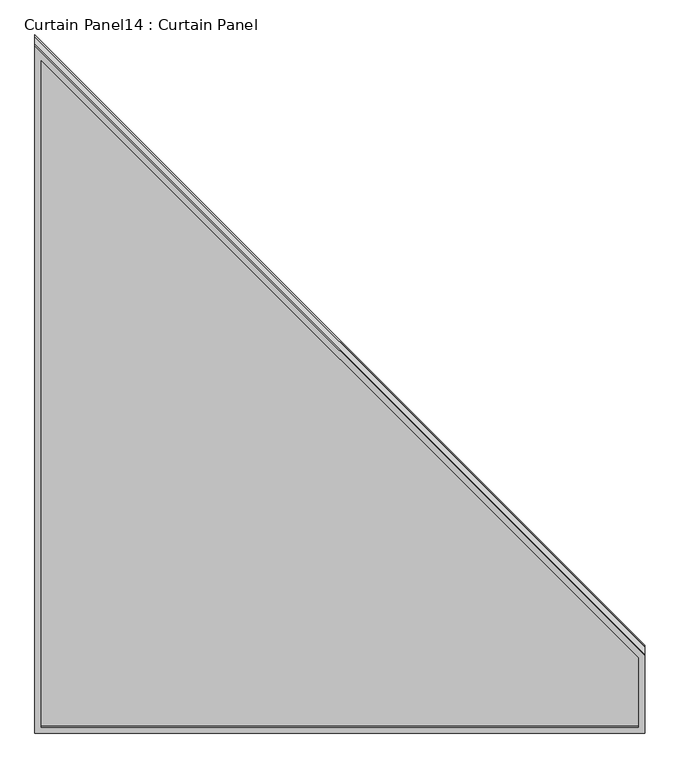
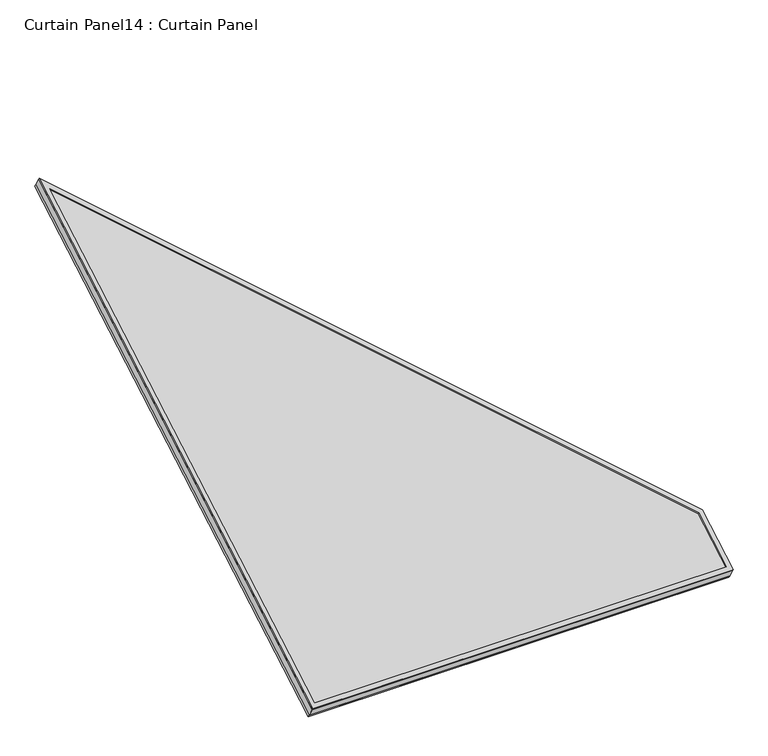
"""IFC4 building model written with IfcOpenShell, lengths in millimetres: plate geometry, Curtain Panel14 : Curtain Panel."""

from ifc_helpers import new_model, si_unit, frame, origin, place, context, project, spatial, polyline, outline, extrude, source, transform, mapped, element, save


def curtain_panel14_curtain_panel_a88896af(model_context):
    return source(origin(), model_context, "Body", "SweptSolid", [
        extrude(outline(polyline([(1518.9634688, -12.7), (-34.0642674, -12.7), (1344.4172354, 1181.1), (1518.9634688, 1181.1), (1518.9634688, -12.7)]), holes=[polyline([(1506.2634688, 1168.4), (1349.152109, 1168.4), (0.0, 0.0), (1506.2634688, 0.0), (1506.2634688, 1168.4)])]), frame((-8308.9692107, 8433.4322993, 2045.4033843), z_axis=(0.0, -0.5000000000000027, 0.8660254037844372), x_axis=(0.0, -0.8660254037844372, -0.5000000000000027)), (0.0, 0.0, 1.0), 4.7673936),
        extrude(outline(polyline([(1518.9634689, -12.7), (-34.0642673, -12.7), (1344.4172355, 1181.1), (1518.9634689, 1181.1), (1518.9634689, -12.7)]), holes=[polyline([(1506.2634688, 1168.4), (1349.152109, 1168.4), (0.0, 0.0), (1506.2634688, 0.0), (1506.2634688, 1168.4)])]), frame((-8308.9692107, 8451.8600234, 2013.48563), z_axis=(0.0, -0.5000000000000026, 0.8660254037844373), x_axis=(0.0, -0.8660254037844373, -0.5000000000000026)), (0.0, 0.0, 1.0), 6.6929481),
        extrude(outline(polyline([(12.7, 0.0), (1206.5, 0.0), (1206.5, -1553.0277361), (12.7, -174.5462334), (12.7, 0.0)])), frame((-7115.1692107, 7133.0525979, 1259.8001587), z_axis=(0.0, -0.5000000000000002, 0.8660254037844386), x_axis=(-1.0, 0.0, 0.0)), (0.0, 0.0, 1.0), 30.1625),
    ])


if __name__ == "__main__":
    model = new_model("IFC4")
    model_context = context("Model", 3, world=origin())
    ifc_project = project(units=[si_unit("LENGTHUNIT", "METRE", prefix="MILLI")], contexts=[model_context])
    site = spatial("IfcSite", under=ifc_project)
    building = spatial("IfcBuilding", under=site)
    placement = place(None, origin())
    curtain_panel14_curtain_panel_shape = curtain_panel14_curtain_panel_a88896af(model_context)
    element("IfcPlate", 1, ObjectType="Curtain Panel14 : Curtain Panel", at=placement, inside=building, context=model_context, shape_type="MappedRepresentation", body=[
        mapped(curtain_panel14_curtain_panel_shape, transform((0.0, 0.0, 0.0), x_axis=(1.0, 0.0, 0.0), y_axis=(0.0, 1.0, 0.0), z_axis=(0.0, 0.0, 1.0))),
    ])
    save(model, "model.ifc")
